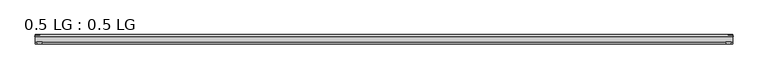
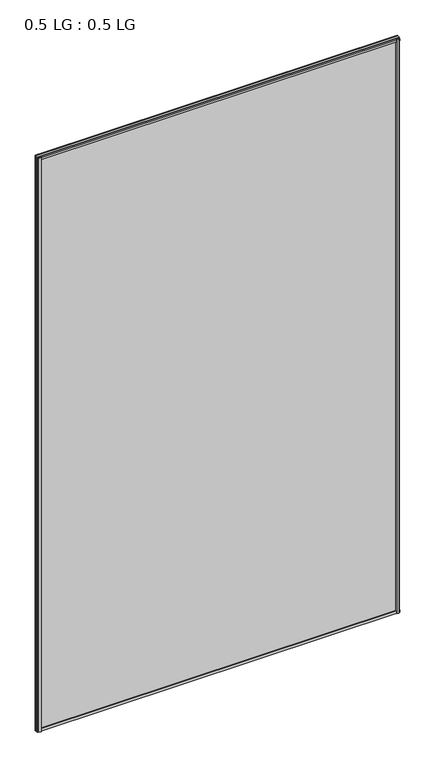
"""IFC4 building model written with IfcOpenShell, lengths in millimetres: plate geometry, 0.5 LG : 0.5 LG."""

from ifc_helpers import new_model, si_unit, frame, origin, origin_with_axes, place, context, project, spatial, polyline, outline, extrude, source, transform, mapped, element, save


def plate_0_5_lg_0_5_lg_73f7a649(model_context):
    return source(origin(), model_context, "Body", "SweptSolid", [
        extrude(outline(polyline([(-843.1987839, 16.9767247), (-844.4083739, 21.828125), (-830.8508671, 21.828125), (-832.060457, 16.9767247), (-843.1987839, 16.9767247)])), origin_with_axes(), (0.0, 0.0, 1.0), 2842.288964),
        extrude(outline(polyline([(-848.6447713, 34.680525), (-847.4069584, 39.4557249), (-836.2944499, 39.4557249), (-835.0806468, 34.680525), (-848.6447713, 34.680525)])), origin_with_axes(), (0.0, 0.0, 1.0), 2842.288964),
        extrude(outline(polyline([(843.1987839, 16.9767247), (832.060457, 16.9767247), (830.8508671, 21.828125), (844.4083739, 21.828125), (843.1987839, 16.9767247)])), origin_with_axes(), (0.0, 0.0, 1.0), 2842.288964),
        extrude(outline(polyline([(848.6447713, 34.680525), (835.0806468, 34.680525), (836.2944499, 39.4557249), (847.4069584, 39.4557249), (848.6447713, 34.680525)])), origin_with_axes(), (0.0, 0.0, 1.0), 2842.288964),
        extrude(outline(polyline([(39.4569539, 11.124921), (39.4569539, 0.0005878), (34.680525, -1.2138382), (34.680525, 12.3392211), (39.4569539, 11.124921)])), frame((-847.4069584, 0.0, 0.0), z_axis=(1.0, 0.0, 0.0), x_axis=(0.0, 1.0, 0.0)), (0.0, 0.0, 1.0), 1694.8139168),
        extrude(outline(polyline([(16.9767101, 13.8303088), (21.828125, 15.0636853), (21.828125, 1.4714303), (16.9767101, 2.704584), (16.9767101, 13.8303088)])), frame((-847.4069584, 0.0, 0.0), z_axis=(1.0, 0.0, 0.0), x_axis=(0.0, 1.0, 0.0)), (0.0, 0.0, 1.0), 1694.8139168),
        extrude(outline(polyline([(39.4569539, 2831.164043), (34.680525, 2829.9497429), (34.680525, 2843.5028022), (39.4569539, 2842.2883761), (39.4569539, 2831.164043)])), frame((-847.4069584, 0.0, 0.0), z_axis=(1.0, 0.0, 0.0), x_axis=(0.0, 1.0, 0.0)), (0.0, 0.0, 1.0), 1694.8139168),
        extrude(outline(polyline([(16.9767101, 2828.4586552), (16.9767101, 2839.58438), (21.828125, 2840.8175337), (21.828125, 2827.2252787), (16.9767101, 2828.4586552)])), frame((-847.4069584, 0.0, 0.0), z_axis=(1.0, 0.0, 0.0), x_axis=(0.0, 1.0, 0.0)), (0.0, 0.0, 1.0), 1694.8139168),
        extrude(outline(polyline([(847.4069584, 34.680525), (847.4069584, 21.828125), (-847.4069584, 21.828125), (-847.4069584, 34.680525), (847.4069584, 34.680525)])), origin_with_axes(), (0.0, 0.0, 1.0), 2842.288964),
    ])


if __name__ == "__main__":
    model = new_model("IFC4")
    model_context = context("Model", 3, world=origin())
    ifc_project = project(units=[si_unit("LENGTHUNIT", "METRE", prefix="MILLI")], contexts=[model_context])
    site = spatial("IfcSite", under=ifc_project)
    building = spatial("IfcBuilding", under=site)
    placement = place(None, origin())
    plate_0_5_lg_0_5_lg_shape = plate_0_5_lg_0_5_lg_73f7a649(model_context)
    element("IfcPlate", 1, ObjectType="0.5 LG : 0.5 LG", at=placement, inside=building, context=model_context, shape_type="MappedRepresentation", body=[
        mapped(plate_0_5_lg_0_5_lg_shape, transform((0.0, 0.0, 0.0), x_axis=(1.0, 0.0, 0.0), y_axis=(0.0, 1.0, 0.0), z_axis=(0.0, 0.0, 1.0))),
    ])
    save(model, "model.ifc")
